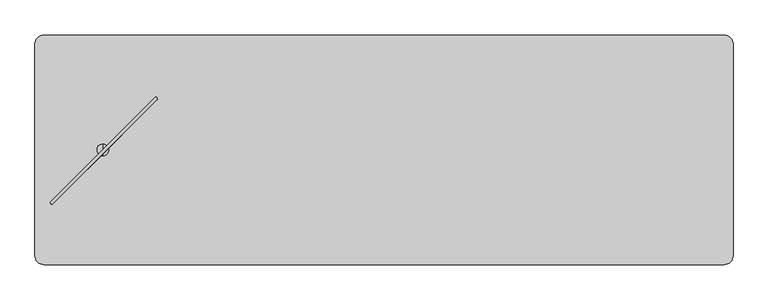
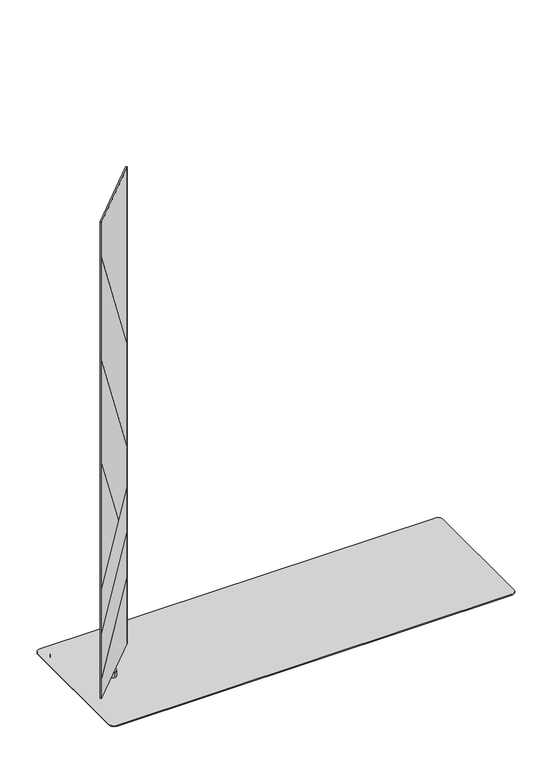
"""IFC4 building model written with IfcOpenShell, lengths in millimetres: furniture geometry."""

from ifc_helpers import new_model, si_unit, point, frame, frame_2d, origin, origin_with_axes, place, context, project, spatial, polyline, circle_curve, ellipse_curve, trimmed, segment, composite_curve, outline, extrude, source, transform, mapped, element, save
from ifc_brep_helpers import plane_surface, cylinder_surface, advanced_brep


def furniture_0579cbdc(model_context):
    return source(origin(), model_context, "Body", "SolidModel", [
        advanced_brep(
        [(-710.9587734, -183.0083649, 1894.2939983), (-706.6960613, -187.2719392, 1894.2939983), (-484.6876924, 34.7398168, 1894.2939983), (-488.9016858, 38.9555155, 1894.2939983), (-710.9587733, -183.0083649, 44.4119983), (-488.9016858, 38.9555155, 44.4119983), (-484.6876924, 34.7398168, 44.4119983), (-706.6960613, -187.2719392, 44.4119983), (-706.6960613, -187.2719392, 120.9230364), (-710.2911277, -187.7758015, 119.2357715), (-710.2911277, -187.7758015, 122.9389644), (-706.6960613, -187.2719392, 124.6262293), (-706.6960613, -187.2719392, 294.7622819), (-710.2911277, -187.7758015, 293.075073), (-710.2911277, -187.7758015, 294.8972637), (-706.6960613, -187.2719392, 296.5844727), (-706.6960613, -187.2719392, 467.5787569), (-710.2911277, -187.7758015, 465.8913563), (-710.2911277, -187.7758015, 467.7135995), (-706.6960613, -187.2719392, 469.401), (-706.6960613, -187.2719392, 952.1281208), (-710.2911277, -187.7758015, 957.1929532), (-710.2911277, -187.7758015, 960.3636054), (-706.6960613, -187.2719392, 955.298773), (-706.6960613, -187.2719392, 1351.5829255), (-710.2911277, -187.7758015, 1356.6477579), (-710.2911277, -187.7758015, 1359.81841), (-706.6960613, -187.2719392, 1354.7535777), (-706.6960613, -187.2719392, 1751.0355622), (-710.2911277, -187.7758015, 1756.1013739), (-710.2911277, -187.7758015, 1759.272488), (-706.6960613, -187.2719392, 1754.2066762), (-484.6876924, 34.7398168, 307.4007086), (-484.6876924, 34.7398168, 477.530707), (-484.6876924, 34.7398168, 479.3528977), (-484.6876924, 34.7398168, 650.3679393), (-560.1779444, -40.7515869, 590.0357623), (-559.2155829, -39.7892108, 590.8281165), (-484.6876924, 34.7398168, 652.1901824), (-484.6876924, 34.7398168, 802.9304065), (-484.6876924, 34.7398168, 806.1010587), (-484.6876924, 34.7398168, 1202.2769503), (-484.6876924, 34.7398168, 1205.4480643), (-484.6876924, 34.7398168, 303.6975157), (-484.2519643, 38.263362, 1200.5548508), (-484.2519643, 38.263362, 1197.3837367), (-484.2519643, 38.263362, 801.2087912), (-484.2519643, 38.263362, 798.038139), (-484.2519643, 38.263362, 653.8200912), (-484.2519643, 38.263362, 651.9978481), (-484.2519643, 38.263362, 480.9826215), (-484.2519643, 38.263362, 479.1604307), (-484.2519643, 38.263362, 309.0304863), (-484.2519643, 38.263362, 305.3272934), (-560.76006, -38.2447337, 590.8281165), (-561.7224288, -39.2071025, 590.0357623)],
        [
            (0, 1, circle_curve(frame((-708.8276492, -185.1403839, 1894.2939983), z_axis=(0.0, 0.0, 1.0), x_axis=(-0.7072551987263337, -0.7069583324882551, 0.0)), 3.0144975)),
            (1, 2),
            (2, 3, circle_curve(frame((-486.8468411, 36.7955352, 1894.2939983), z_axis=(0.0, 0.0, 1.0), x_axis=(0.6895472047235311, 0.7242407420588576, 0.0)), 2.9812584)),
            (3, 0),
            (4, 5),
            (5, 6, circle_curve(frame((-486.8468411, 36.7955352, 44.4119983), z_axis=(0.0, 0.0, -1.0), x_axis=(0.6895472047235311, 0.7242407420588576, 0.0)), 2.9812584)),
            (6, 7),
            (7, 4, circle_curve(frame((-708.8276492, -185.1403839, 44.4119983), z_axis=(0.0, 0.0, -1.0), x_axis=(-0.7072551987263337, -0.7069583324882551, 0.0)), 3.0144975)),
            (0, 4),
            (7, 8),
            (8, 9, ellipse_curve(frame((-708.8276492, -185.1403839, 120.923023), z_axis=(0.3557466555065141, 0.35574665550651347, -0.8642271889913322), x_axis=(0.6111009058215596, 0.6111009058215586, 0.5031017449861808)), 3.4880845, 3.0144975)),
            (9, 10),
            (10, 11, ellipse_curve(frame((-708.8276492, -185.1403839, 124.6262159), z_axis=(-0.3557466555065138, -0.3557466555065132, 0.8642271889913322), x_axis=(0.6111009058215596, 0.6111009058215585, 0.5031017449861812)), 3.4880845, 3.0144975)),
            (11, 12),
            (12, 13, ellipse_curve(frame((-708.8276492, -185.1403839, 294.7622685), z_axis=(0.3557378542673982, 0.35573785426739757, -0.8642344346775678), x_axis=(0.611106029295431, 0.61110602929543, 0.5030892981544577)), 3.4880553, 3.0144975)),
            (13, 14),
            (14, 15, ellipse_curve(frame((-708.8276492, -185.1403839, 296.5844593), z_axis=(-0.3557378542673982, -0.35573785426739757, 0.8642344346775679), x_axis=(0.6111060292954311, 0.6111060292954301, 0.5030892981544572)), 3.4880553, 3.0144975)),
            (15, 16),
            (16, 17, ellipse_curve(frame((-708.8276492, -185.1403839, 467.5787435), z_axis=(0.35576802902276067, 0.35576802902276006, -0.8642095920843049), x_axis=(0.6110884629292728, 0.6110884629292717, 0.5031319717027326)), 3.4881556, 3.0144975)),
            (17, 18),
            (18, 19, ellipse_curve(frame((-708.8276492, -185.1403839, 469.4009867), z_axis=(-0.3557680290227606, -0.35576802902276, 0.864209592084305), x_axis=(0.6110884629292728, 0.6110884629292717, 0.5031319717027324)), 3.4881556, 3.0144975)),
            (19, 20),
            (20, 21, ellipse_curve(frame((-708.8276492, -185.1403839, 952.128161), z_axis=(-0.6137217711363941, -0.6137217711363931, -0.4966801538882102), x_axis=(-0.3512059048951317, -0.3512059048951311, 0.8679336522647246)), 6.0692932, 3.0144975)),
            (21, 22),
            (22, 23, ellipse_curve(frame((-708.8276492, -185.1403839, 955.2988132), z_axis=(0.6137217711363941, 0.613721771136393, 0.49668015388821024), x_axis=(-0.35120590489513176, -0.3512059048951311, 0.8679336522647245)), 6.0692932, 3.0144975)),
            (23, 24),
            (24, 25, ellipse_curve(frame((-708.8276492, -185.1403839, 1351.5829657), z_axis=(-0.6137217711363941, -0.6137217711363931, -0.4966801538882103), x_axis=(-0.35120590489513176, -0.3512059048951312, 0.8679336522647245)), 6.0692932, 3.0144975)),
            (25, 26),
            (26, 27, ellipse_curve(frame((-708.8276492, -185.1403839, 1354.7536178), z_axis=(0.6137217711363941, 0.6137217711363931, 0.4966801538882103), x_axis=(-0.35120590489513176, -0.3512059048951312, 0.8679336522647245)), 6.0692932, 3.0144975)),
            (27, 28),
            (28, 29, ellipse_curve(frame((-708.8276492, -185.1403839, 1751.0356024), z_axis=(-0.6137510408992914, -0.6137510408992903, -0.4966078126550913), x_axis=(-0.351154751918634, -0.3511547519186334, 0.8679750459603811)), 6.0701774, 3.0144975)),
            (29, 30),
            (30, 31, ellipse_curve(frame((-708.8276492, -185.1403839, 1754.2067164), z_axis=(0.6137510408992906, 0.6137510408992916, 0.4966078126550908), x_axis=(-0.351154751918633, -0.35115475191863355, 0.8679750459603813)), 6.0701774, 3.0144975)),
            (31, 1),
            (11, 32),
            (32, 33),
            (33, 12),
            (15, 34),
            (34, 35),
            (35, 16),
            (19, 36),
            (36, 20),
            (23, 37),
            (37, 38),
            (38, 39),
            (39, 24),
            (27, 40),
            (40, 41),
            (41, 28),
            (31, 42),
            (42, 2),
            (6, 43),
            (43, 8),
            (42, 44, ellipse_curve(frame((-486.8468411, 36.7955352, 1205.5758926), z_axis=(0.6137510408992906, 0.6137510408992916, 0.4966078126550908), x_axis=(-0.351154751918633, -0.35115475191863355, 0.8679750459603813)), 6.003245, 2.9812584)),
            (44, 45),
            (45, 41, ellipse_curve(frame((-486.8468411, 36.7955352, 1202.4047785), z_axis=(-0.6137510408992914, -0.6137510408992903, -0.4966078126550913), x_axis=(-0.351154751918634, -0.3511547519186334, 0.8679750459603811)), 6.003245, 2.9812584)),
            (40, 46, ellipse_curve(frame((-486.8468411, 36.7955352, 806.2288622), z_axis=(0.6137217711363941, 0.6137217711363931, 0.4966801538882103), x_axis=(-0.35120590489513176, -0.3512059048951312, 0.8679336522647245)), 6.0023706, 2.9812584)),
            (46, 47),
            (47, 39, ellipse_curve(frame((-486.8468411, 36.7955352, 803.0582101), z_axis=(-0.6137217711363941, -0.6137217711363931, -0.4966801538882103), x_axis=(-0.35120590489513176, -0.3512059048951312, 0.8679336522647245)), 6.0023706, 2.9812584)),
            (38, 48, ellipse_curve(frame((-486.8468411, 36.7955352, 652.1476034), z_axis=(-0.355768029022761, -0.3557680290227604, 0.8642095920843047), x_axis=(0.6110884629292725, 0.6110884629292714, 0.5031319717027329)), 3.4496937, 2.9812584)),
            (48, 49),
            (49, 35, ellipse_curve(frame((-486.8468411, 36.7955352, 650.3253602), z_axis=(0.35576802902276067, 0.35576802902276006, -0.8642095920843049), x_axis=(0.6110884629292728, 0.6110884629292717, 0.5031319717027326)), 3.4496937, 2.9812584)),
            (34, 50, ellipse_curve(frame((-486.8468411, 36.7955352, 479.3103235), z_axis=(-0.3557378542673982, -0.35573785426739757, 0.8642344346775679), x_axis=(0.6111060292954311, 0.6111060292954301, 0.5030892981544572)), 3.4495945, 2.9812584)),
            (50, 51),
            (51, 33, ellipse_curve(frame((-486.8468411, 36.7955352, 477.4881328), z_axis=(0.3557378542673982, 0.35573785426739757, -0.8642344346775678), x_axis=(0.611106029295431, 0.61110602929543, 0.5030892981544577)), 3.4495945, 2.9812584)),
            (32, 52, ellipse_curve(frame((-486.8468411, 36.7955352, 307.3581329), z_axis=(-0.3557466555065138, -0.3557466555065132, 0.8642271889913322), x_axis=(0.6111009058215596, 0.6111009058215585, 0.5031017449861812)), 3.4496234, 2.9812584)),
            (52, 53),
            (53, 43, ellipse_curve(frame((-486.8468411, 36.7955352, 303.65494), z_axis=(0.3557466555065141, 0.35574665550651347, -0.8642271889913322), x_axis=(0.6111009058215596, 0.6111009058215586, 0.5031017449861808)), 3.4496234, 2.9812584)),
            (5, 3),
            (9, 53),
            (52, 10),
            (29, 45),
            (44, 30),
            (25, 47),
            (46, 26),
            (13, 51),
            (50, 14),
            (54, 22),
            (21, 55),
            (55, 18),
            (17, 49),
            (48, 54),
            (37, 54),
            (36, 55),
        ],
        [
            plane_surface(frame((-597.8110532, -74.146243, 1894.2939983), z_axis=(0.0, 0.0, 1.0000000000000002), x_axis=(-0.7072551987263422, -0.7069583324882467, 0.0))),
            plane_surface(frame((-597.8110532, -74.146243, 44.4119983), z_axis=(0.0, 0.0, -1.0000000000000002), x_axis=(-0.7072551987263422, -0.7069583324882467, 0.0))),
            cylinder_surface(frame((-708.8276492, -185.1403839, 44.4119983), z_axis=(0.0, 0.0, 1.0), x_axis=(-0.7072551987263337, -0.7069583324882551, 0.0)), 3.0144975),
            plane_surface(frame((-595.6918769, -76.2660612, 44.4119983), z_axis=(0.7071121751659858, -0.7071013871659624, 0.0), x_axis=(0.7071013871659624, 0.7071121751659858, 0.0))),
            cylinder_surface(frame((-486.8468411, 36.7955352, 44.4119983), z_axis=(0.0, 0.0, 1.0), x_axis=(0.6895472047235311, 0.7242407420588576, 0.0)), 2.9812584),
            plane_surface(frame((-599.9302295, -72.0264247, 44.4119983), z_axis=(-0.7069583324882512, 0.7072551987263376, 0.0), x_axis=(-0.7072551987263376, -0.7069583324882512, 0.0))),
            plane_surface(frame((-693.8406555, -171.3253292, 132.7789707), z_axis=(0.7071067811865472, -0.7071067811865481, 0.0), x_axis=(-0.6111009058215594, -0.6111009058215585, -0.5031017449861812))),
            plane_surface(frame((-693.0218175, -210.0196182, 117.1880877), z_axis=(-0.3557466555065141, -0.35574665550651347, 0.8642271889913322), x_axis=(-0.7071067811865469, 0.7071067811865481, 0.0))),
            plane_surface(frame((-455.5914027, 27.4107966, 316.3608911), z_axis=(0.35574665550651385, 0.35574665550651324, -0.8642271889913324), x_axis=(-0.7071067811865469, 0.7071067811865481, 0.0))),
            plane_surface(frame((-693.0218175, -210.0196182, 1762.2493009), z_axis=(0.6137510408992913, 0.6137510408992902, 0.4966078126550912), x_axis=(-0.7071067811865469, 0.7071067811865481, 0.0))),
            plane_surface(frame((-455.5914027, 27.4107966, 1178.5461832), z_axis=(-0.6137510408992906, -0.6137510408992916, -0.4966078126550908), x_axis=(-0.7071067811865481, 0.7071067811865469, 0.0))),
            plane_surface(frame((-693.0218175, -210.0196182, 1362.7944962), z_axis=(0.6137217711363941, 0.6137217711363931, 0.4966801538882103), x_axis=(-0.7071067811865469, 0.7071067811865481, 0.0))),
            plane_surface(frame((-455.5914027, 27.4107966, 779.2043786), z_axis=(-0.6137217711363941, -0.6137217711363931, -0.4966801538882103), x_axis=(-0.7071067811865469, 0.7071067811865481, 0.0))),
            plane_surface(frame((-693.0218175, -210.0196182, 463.8435078), z_axis=(-0.35576802902276067, -0.35576802902276006, 0.8642095920843049), x_axis=(-0.7071067811865469, 0.7071067811865481, 0.0))),
            plane_surface(frame((-455.5914027, 27.4107966, 661.1510857), z_axis=(0.355768029022761, 0.3557680290227604, -0.8642095920843047), x_axis=(-0.7071067811865469, 0.7071067811865481, 0.0))),
            plane_surface(frame((-693.0218175, -210.0196182, 291.0274569), z_axis=(-0.3557378542673982, -0.35573785426739757, 0.8642344346775678), x_axis=(-0.7071067811865469, 0.7071067811865481, 0.0))),
            plane_surface(frame((-455.5914027, 27.4107966, 488.3127834), z_axis=(0.3557378542673982, 0.35573785426739757, -0.8642344346775679), x_axis=(-0.7071067811865469, 0.7071067811865481, 0.0))),
            plane_surface(frame((-541.0034965, -58.0012972, 590.8281165), z_axis=(-0.6137217711363941, -0.613721771136393, -0.49668015388821024), x_axis=(-0.7071067811865469, 0.7071067811865481, 0.0))),
            plane_surface(frame((-693.0218175, -210.0196182, 963.3396916), z_axis=(0.6137217711363941, 0.6137217711363931, 0.4966801538882102), x_axis=(-0.7071067811865469, 0.7071067811865481, 0.0))),
            plane_surface(frame((-541.9658653, -58.963666, 590.0357623), z_axis=(0.3557680290227606, 0.35576802902276, -0.864209592084305), x_axis=(-0.7071067811865469, 0.7071067811865481, 0.0))),
        ],
        [
            (0, [[1, 2, 3, 4]]),
            (1, [[5, 6, 7, 8]]),
            (2, [[-1, 9, -8, 10, 11, 12, 13, 14, 15, 16, 17, 18, 19, 20, 21, 22, 23, 24, 25, 26, 27, 28, 29, 30, 31, 32, 33, 34]]),
            (3, [[-14, 35, 36, 37]]),
            (3, [[-18, 38, 39, 40]]),
            (3, [[-22, 41, 42]]),
            (3, [[-26, 43, 44, 45, 46]]),
            (3, [[-30, 47, 48, 49]]),
            (3, [[-2, -34, 50, 51]]),
            (3, [[-7, 52, 53, -10]]),
            (4, [[-3, -51, 54, 55, 56, -48, 57, 58, 59, -45, 60, 61, 62, -39, 63, 64, 65, -36, 66, 67, 68, -52, -6, 69]]),
            (5, [[-4, -69, -5, -9]]),
            (6, [[70, -67, 71, -12]]),
            (6, [[72, -55, 73, -32]]),
            (6, [[74, -58, 75, -28]]),
            (6, [[76, -64, 77, -16]]),
            (6, [[78, -24, 79, 80, -20, 81, -61, 82]]),
            (7, [[-70, -11, -53, -68]]),
            (8, [[-71, -66, -35, -13]]),
            (9, [[-72, -31, -49, -56]]),
            (10, [[-73, -54, -50, -33]]),
            (11, [[-74, -27, -46, -59]]),
            (12, [[-75, -57, -47, -29]]),
            (13, [[-81, -19, -40, -62]]),
            (14, [[-82, -60, -44, 83]]),
            (15, [[-76, -15, -37, -65]]),
            (16, [[-77, -63, -38, -17]]),
            (17, [[-78, -83, -43, -25]]),
            (18, [[-79, -23, -42, 84]]),
            (19, [[-80, -84, -41, -21]]),
        ],
    ),
        advanced_brep(
        [(-599.9988, -84.5709522, 44.4119983), (-599.9988, -59.5748171, 44.4119983), (-599.9988, -59.5748171, 23.6755986), (-599.9988, -84.5709522, 23.6755986), (-599.9988, -72.0728847, 44.4119983), (-599.9988, -72.0728847, 23.6755986)],
        [
            (0, 1, circle_curve(frame((-599.9988, -72.0728847, 44.4119983), z_axis=(0.0, 0.0, -1.0), x_axis=(0.0, 1.0, 0.0)), 12.4980675)),
            (1, 2),
            (2, 3, circle_curve(frame((-599.9988, -72.0728847, 23.6755986), z_axis=(0.0, 0.0, 1.0), x_axis=(0.0, 1.0, 0.0)), 12.4980675)),
            (3, 0),
            (4, 1),
            (0, 4),
            (0, 1, circle_curve(frame((-599.9988, -72.0728847, 44.4119983), z_axis=(0.0, 0.0, 1.0), x_axis=(0.0, 1.0, 0.0)), 12.4980675)),
            (2, 5),
            (5, 3),
            (2, 3, circle_curve(frame((-599.9988, -72.0728847, 23.6755986), z_axis=(0.0, 0.0, -1.0), x_axis=(0.0, 1.0, 0.0)), 12.4980675)),
        ],
        [
            cylinder_surface(frame((-599.9988, -72.0728847, 51.9527758), z_axis=(0.0, 0.0, 1.0), x_axis=(0.0, 1.0, 0.0)), 12.4980675),
            plane_surface(frame((-599.9988, -72.0728847, 44.4119983), z_axis=(0.0, 0.0, 1.0), x_axis=(0.0, 1.0, 0.0))),
            plane_surface(frame((-599.9988, -72.0728847, 23.6755986), z_axis=(0.0, 0.0, -1.0), x_axis=(0.0, 1.0, 0.0))),
        ],
        [
            (0, [[1, 2, 3, 4]]),
            (1, [[5, -1, 6]]),
            (1, [[-6, 7, -5]]),
            (2, [[-3, 8, 9]]),
            (2, [[10, -9, -8]]),
            (0, [[-7, -4, -10, -2]]),
        ],
    ),
        extrude(outline(composite_curve([segment(polyline([(-695.7695, 142.9271143), (695.7695, 142.9271143)]), True, "CONTINUOUS"), segment(trimmed(circle_curve(frame_2d((695.7695, 123.8771143)), 19.05), [point((695.7695, 142.9271143))], [point((714.8195, 123.8771143))], False, "CARTESIAN"), True, "CONTINUOUS"), segment(polyline([(714.8195, 123.8771143), (714.8195, -268.0228972)]), True, "CONTINUOUS"), segment(trimmed(circle_curve(frame_2d((695.7695, -268.0228972)), 19.05), [point((714.8195, -268.0228972))], [point((695.7695, -287.0728972))], False, "CARTESIAN"), True, "CONTINUOUS"), segment(polyline([(695.7695, -287.0728972), (-695.7695, -287.0728972)]), True, "CONTINUOUS"), segment(trimmed(circle_curve(frame_2d((-695.7695, -268.0228972)), 19.05), [point((-695.7695, -287.0728972))], [point((-714.8195, -268.0228972))], False, "CARTESIAN"), True, "CONTINUOUS"), segment(polyline([(-714.8195, -268.0228972), (-714.8195, 123.8771143)]), True, "CONTINUOUS"), segment(trimmed(circle_curve(frame_2d((-695.7695, 123.8771143)), 19.05), [point((-714.8195, 123.8771143))], [point((-695.7695, 142.9271143))], False, "CARTESIAN"), True, "CONTINUOUS")], self_intersect=False)), origin_with_axes(), (0.0, 0.0, 1.0), 20.6756),
        extrude(outline(composite_curve([segment(trimmed(circle_curve(frame_2d((725.932, 153.8601153)), 19.05), [point((725.932, 172.9101153))], [point((744.982, 153.8601153))], False, "CARTESIAN"), True, "CONTINUOUS"), segment(polyline([(744.982, 153.8601153), (744.982, -298.0058847)]), True, "CONTINUOUS"), segment(trimmed(circle_curve(frame_2d((725.932, -298.0058847)), 19.05), [point((744.982, -298.0058847))], [point((725.932, -317.0558847))], False, "CARTESIAN"), True, "CONTINUOUS"), segment(polyline([(725.932, -317.0558847), (-725.932, -317.0558847)]), True, "CONTINUOUS"), segment(trimmed(circle_curve(frame_2d((-725.932, -298.0058847)), 19.05), [point((-725.932, -317.0558847))], [point((-744.982, -298.0058847))], False, "CARTESIAN"), True, "CONTINUOUS"), segment(polyline([(-744.982, -298.0058847), (-744.982, 153.8601153)]), True, "CONTINUOUS"), segment(trimmed(circle_curve(frame_2d((-725.932, 153.8601153)), 19.05), [point((-744.982, 153.8601153))], [point((-725.932, 172.9101153))], False, "CARTESIAN"), True, "CONTINUOUS"), segment(polyline([(-725.932, 172.9101153), (725.932, 172.9101153)]), True, "CONTINUOUS")], self_intersect=False)), frame((0.0, 0.0, 20.6756), z_axis=(0.0, 0.0, 1.0), x_axis=(1.0, 0.0, 0.0)), (0.0, 0.0, 1.0), 2.9999986),
    ])


if __name__ == "__main__":
    model = new_model("IFC4")
    model_context = context("Model", 3, world=origin())
    ifc_project = project(units=[si_unit("LENGTHUNIT", "METRE", prefix="MILLI")], contexts=[model_context])
    site = spatial("IfcSite", under=ifc_project)
    building = spatial("IfcBuilding", under=site)
    placement = place(None, origin())
    furniture_shape = furniture_0579cbdc(model_context)
    element("IfcFurniture", 1, at=placement, inside=building, context=model_context, shape_type="MappedRepresentation", body=[
        mapped(furniture_shape, transform((0.0, 0.0, 0.0), x_axis=(1.0, 0.0, 0.0), y_axis=(0.0, 1.0, 0.0), z_axis=(0.0, 0.0, 1.0))),
    ])
    save(model, "model.ifc")
